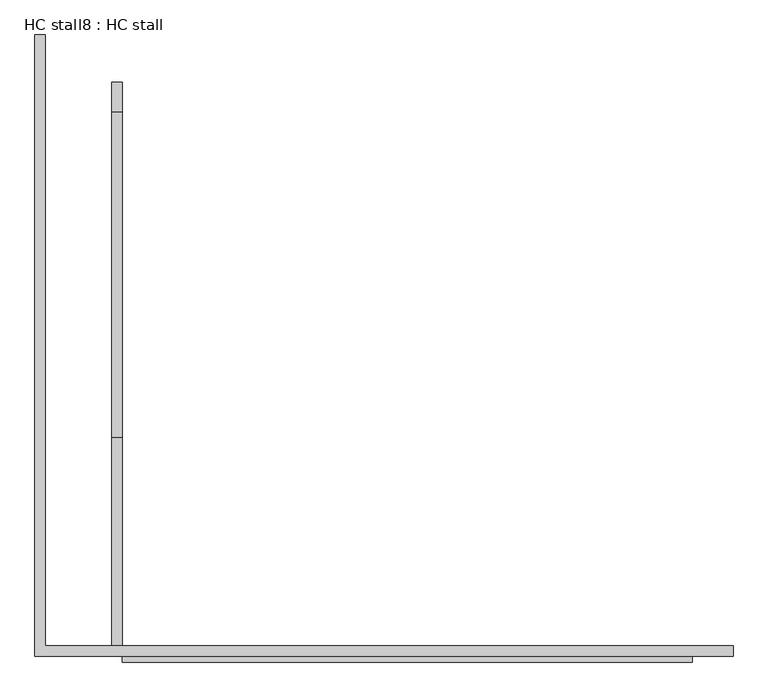
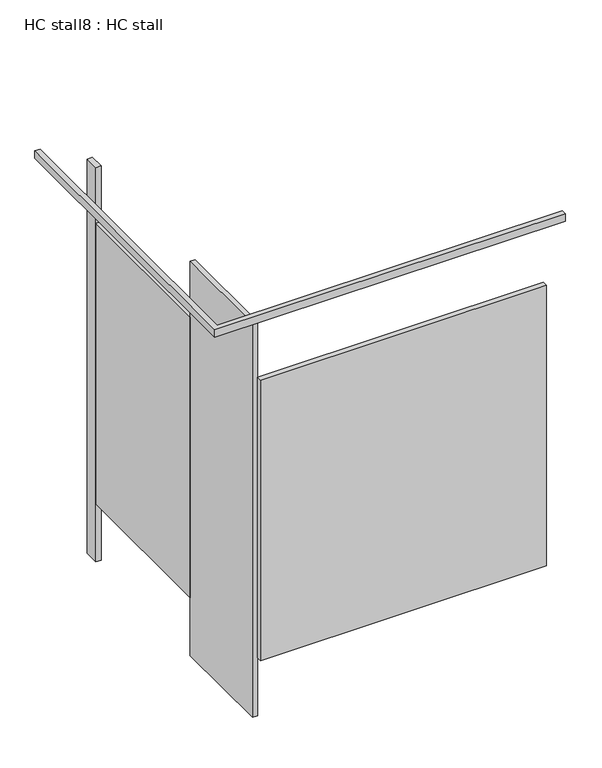
"""IFC4 building model written with IfcOpenShell, lengths in millimetres: proxy geometry, HC stall8 : HC stall."""

import ifcopenshell
import ifcopenshell.guid

model = None  # the IFC model being written
_history = None  # IfcOwnerHistory: only IFC2X3 demands one
_inside = {}  # id of a spatial element -> (the spatial element, [elements in it])
_under = {}  # id of a project, library or spatial element -> (it, [spatial elements below it])
_declared = {}  # id of a project -> (the project, [libraries it declares])
_typed = {}  # id of a type object -> (the type object, [elements of that type])
_made_of = {}  # id of a material, layer set ... -> (it, [elements and type objects made of it])


def new_model(schema):
    """Start an empty IFC model of exactly this schema.

    Asked for "IFC4X3", IfcOpenShell would pick the latest addendum, in which some entities
    have other attributes; the version numbers below select the first issue.
    IFC2X3 requires an IfcOwnerHistory on every rooted entity: one is made here for all.
    """
    global model, _history
    if schema == "IFC4X3":
        model = ifcopenshell.file(schema_version=(4, 3, 0, 0))
    else:
        model = ifcopenshell.file(schema=schema)
    _inside.clear()
    _under.clear()
    _declared.clear()
    _typed.clear()
    _made_of.clear()
    _history = None
    if model.schema == "IFC2X3":
        org = make("IfcOrganization", Name="unknown")
        user = make(
            "IfcPersonAndOrganization",
            ThePerson=make("IfcPerson", FamilyName="unknown"),
            TheOrganization=org,
        )
        app = make(
            "IfcApplication",
            ApplicationDeveloper=org,
            Version="unknown",
            ApplicationFullName="unknown",
            ApplicationIdentifier="unknown",
        )
        _history = make(
            "IfcOwnerHistory",
            OwningUser=user,
            OwningApplication=app,
            ChangeAction="ADDED",
            CreationDate=0,
        )
    return model


def make(cls, **values):
    """One entity of the class cls with the attributes given. An attribute that is None is left unset."""
    return model.create_entity(
        cls, **{name: value for name, value in values.items() if value is not None}
    )


def rooted(cls, **values):
    """An entity with a GlobalId (a new one), such as an element, a storey or a relation."""
    return make(cls, GlobalId=ifcopenshell.guid.new(), OwnerHistory=_history, **values)


def si_unit(unit_type, name, prefix=None):
    """IfcSIUnit, for example si_unit("LENGTHUNIT", "METRE", prefix="MILLI")."""
    return make("IfcSIUnit", UnitType=unit_type, Prefix=prefix, Name=name)


def assignment(units):
    """IfcUnitAssignment: the units of a project."""
    return None if units is None else make("IfcUnitAssignment", Units=units)


def point(xyz):
    """IfcCartesianPoint."""
    return None if xyz is None else make("IfcCartesianPoint", Coordinates=xyz)


def direction(xyz):
    """IfcDirection."""
    return None if xyz is None else make("IfcDirection", DirectionRatios=xyz)


def frame(location, z_axis=None, x_axis=None):
    """IfcAxis2Placement3D, a coordinate frame: its origin and axes. An axis left out is left unset."""
    return make(
        "IfcAxis2Placement3D",
        Location=point(location),
        Axis=direction(z_axis),
        RefDirection=direction(x_axis),
    )


def origin():
    """The frame at (0, 0, 0) with its axes left unset."""
    return frame((0.0, 0.0, 0.0))


def origin_with_axes():
    """The frame at (0, 0, 0) with the z axis (0, 0, 1) and the x axis (1, 0, 0) written out."""
    return frame((0.0, 0.0, 0.0), z_axis=(0.0, 0.0, 1.0), x_axis=(1.0, 0.0, 0.0))


def place(relative_to, where):
    """IfcLocalPlacement: puts the frame where relative to a parent placement (None: the world)."""
    return make(
        "IfcLocalPlacement", PlacementRelTo=relative_to, RelativePlacement=where
    )


def context(
    kind, dimensions, precision=None, world=None, true_north=None, identifier=None
):
    """IfcGeometricRepresentationContext, for example the 3D "Model" context."""
    return make(
        "IfcGeometricRepresentationContext",
        ContextIdentifier=identifier,
        ContextType=kind,
        CoordinateSpaceDimension=dimensions,
        Precision=precision,
        WorldCoordinateSystem=world,
        TrueNorth=true_north,
    )


def project(units=None, contexts=None):
    """IfcProject with its units and contexts."""
    return rooted(
        "IfcProject",
        Name="project",
        RepresentationContexts=contexts,
        UnitsInContext=assignment(units),
    )


def spatial(cls, under=None, at=None, **own):
    """A site, building, storey or space (cls), placed at a placement, below another one or the project."""
    s = rooted(cls, ObjectPlacement=at, **own)
    if under is not None:
        _under.setdefault(under.id(), (under, []))[1].append(s)
    return s


def polyline(points):
    """IfcPolyline through the points."""
    return make("IfcPolyline", Points=[point(p) for p in points])


def outline(outer, holes=None, kind="AREA"):
    """IfcArbitraryClosedProfileDef: a profile drawn as a closed curve; with holes, ...WithVoids."""
    if holes is None:
        return make("IfcArbitraryClosedProfileDef", ProfileType=kind, OuterCurve=outer)
    return make(
        "IfcArbitraryProfileDefWithVoids",
        ProfileType=kind,
        OuterCurve=outer,
        InnerCurves=holes,
    )


def extrude(swept, where, along, depth):
    """IfcExtrudedAreaSolid: the profile swept, set in the frame where, extruded along a direction by depth."""
    return make(
        "IfcExtrudedAreaSolid",
        SweptArea=swept,
        Position=where,
        ExtrudedDirection=direction(along),
        Depth=depth,
    )


def shape(context_of_items, identifier, shape_type, items):
    """IfcShapeRepresentation: the items that make up one representation, for example the "Body"."""
    return make(
        "IfcShapeRepresentation",
        ContextOfItems=context_of_items,
        RepresentationIdentifier=identifier,
        RepresentationType=shape_type,
        Items=items,
    )


def source(mapping_origin, context_of_items, identifier, shape_type, items):
    """IfcRepresentationMap: a shape defined once, which mapped items show again and again."""
    return make(
        "IfcRepresentationMap",
        MappingOrigin=mapping_origin,
        MappedRepresentation=shape(context_of_items, identifier, shape_type, items),
    )


def transform(
    local_origin,
    x_axis=None,
    y_axis=None,
    z_axis=None,
    scale=None,
    scale2=None,
    scale3=None,
    uniform=True,
):
    """IfcCartesianTransformationOperator3D, or its non-uniform kind. x_axis, y_axis, z_axis: its Axis1, 2, 3."""
    if uniform:
        return make(
            "IfcCartesianTransformationOperator3D",
            Axis1=direction(x_axis),
            Axis2=direction(y_axis),
            LocalOrigin=point(local_origin),
            Scale=scale,
            Axis3=direction(z_axis),
        )
    return make(
        "IfcCartesianTransformationOperator3DnonUniform",
        Axis1=direction(x_axis),
        Axis2=direction(y_axis),
        LocalOrigin=point(local_origin),
        Scale=scale,
        Axis3=direction(z_axis),
        Scale2=scale2,
        Scale3=scale3,
    )


def mapped(mapping_source, mapping_target):
    """IfcMappedItem: shows the shape of a source again, moved by a transform."""
    return make(
        "IfcMappedItem", MappingSource=mapping_source, MappingTarget=mapping_target
    )


def made_of(thing, what):
    """Note that an element or type object is made of a material, layer set ...; save() writes the relation."""
    if what is not None:
        _made_of.setdefault(what.id(), (what, []))[1].append(thing)
    return thing


def element(
    cls,
    number,
    at=None,
    inside=None,
    cuts=None,
    type_object=None,
    material=None,
    context=None,
    identifier="Body",
    shape_type=None,
    held_by="IfcProductDefinitionShape",
    body=None,
    shapes=None,
    **own,
):
    """One element of the class cls, such as IfcWall. Its Tag is "e" and its number.

    at: its placement. inside: the storey or other place that contains it. cuts: it is an
    opening in that element (IfcRelVoidsElement). A single representation is given by context,
    identifier, shape_type and body (its items); several are given by shapes. held_by: the class
    of the entity that holds the representations. save() writes the other relations.
    """
    e = rooted(cls, Tag="e%d" % number, ObjectPlacement=at, **own)
    if body is not None:
        shapes = [shape(context, identifier, shape_type, body)]
    if shapes is not None:
        e.Representation = make(held_by, Representations=shapes)
    if inside is not None:
        _inside.setdefault(inside.id(), (inside, []))[1].append(e)
    if cuts is not None:
        rooted(
            "IfcRelVoidsElement", RelatingBuildingElement=cuts, RelatedOpeningElement=e
        )
    if type_object is not None:
        _typed.setdefault(type_object.id(), (type_object, []))[1].append(e)
    return made_of(e, material)


def aggregate(whole, parts):
    """IfcRelAggregates: a whole, such as a stair, and the parts it consists of."""
    return rooted("IfcRelAggregates", RelatingObject=whole, RelatedObjects=parts)


def save(model, path):
    """Write the relations noted so far, then the file.

    IfcRelAggregates (storeys below a building ...), IfcRelContainedInSpatialStructure (elements
    in a storey), IfcRelDefinesByType, IfcRelAssociatesMaterial and IfcRelDeclares: one each for
    every whole, place, type object, material and project.
    """
    for whole, parts in _under.values():
        aggregate(whole, parts)
    for where, things in _inside.values():
        rooted(
            "IfcRelContainedInSpatialStructure",
            RelatedElements=things,
            RelatingStructure=where,
        )
    for kind, things in _typed.values():
        rooted("IfcRelDefinesByType", RelatedObjects=things, RelatingType=kind)
    for what, things in _made_of.values():
        rooted("IfcRelAssociatesMaterial", RelatedObjects=things, RelatingMaterial=what)
    for by, libraries in _declared.values():
        rooted("IfcRelDeclares", RelatingContext=by, RelatedDefinitions=libraries)
    model.write(path)


def hc_stall8_hc_stall_02f79226(model_context):
    return source(origin(), model_context, "Body", "SweptSolid", [
        extrude(outline(polyline([(502382.8837804, -430451.7036693), (502382.8837804, -430986.6911693), (502357.4837804, -430986.6911693), (502357.4837804, -430451.7036693), (502382.8837804, -430451.7036693)])), origin_with_axes(), (0.0, 0.0, 1.0), 2070.1),
        extrude(outline(polyline([(502382.8837804, -429564.2911693), (502382.8837804, -429638.9036693), (502357.4837804, -429638.9036693), (502357.4837804, -429564.2911693), (502382.8837804, -429564.2911693)])), origin_with_axes(), (0.0, 0.0, 1.0), 2070.1),
        extrude(outline(polyline([(502190.7962804, -430970.8161693), (503906.8837804, -430970.8161693), (503906.8837804, -430996.2161693), (502165.3962804, -430996.2161693), (502165.3962804, -429446.8161693), (502190.7962804, -429446.8161693), (502190.7962804, -430970.8161693)])), frame((0.0, 0.0, 2070.1), z_axis=(0.0, 0.0, 1.0), x_axis=(1.0, 0.0, 0.0)), (0.0, 0.0, 1.0), 38.1),
        extrude(outline(polyline([(503805.2837804, -431012.0911693), (502382.8837804, -431012.0911693), (502382.8837804, -430986.6911693), (503805.2837804, -430986.6911693), (503805.2837804, -431012.0911693)])), frame((0.0, 0.0, 304.8), z_axis=(0.0, 0.0, 1.0), x_axis=(1.0, 0.0, 0.0)), (0.0, 0.0, 1.0), 1473.2),
        extrude(outline(polyline([(502382.8837804, -429638.9036693), (502382.8837804, -430451.7036693), (502357.4837804, -430451.7036693), (502357.4837804, -429638.9036693), (502382.8837804, -429638.9036693)])), frame((0.0, 0.0, 304.8), z_axis=(0.0, 0.0, 1.0), x_axis=(1.0, 0.0, 0.0)), (0.0, 0.0, 1.0), 1473.2),
    ])


if __name__ == "__main__":
    model = new_model("IFC4")
    model_context = context("Model", 3, world=origin())
    ifc_project = project(units=[si_unit("LENGTHUNIT", "METRE", prefix="MILLI")], contexts=[model_context])
    site = spatial("IfcSite", under=ifc_project)
    building = spatial("IfcBuilding", under=site)
    placement = place(None, origin())
    hc_stall8_hc_stall_shape = hc_stall8_hc_stall_02f79226(model_context)
    element("IfcBuildingElementProxy", 1, Name="HC stall8 : HC stall", ObjectType="HC stall8 : HC stall", at=placement, inside=building, context=model_context, shape_type="MappedRepresentation", body=[
        mapped(hc_stall8_hc_stall_shape, transform((0.0, 0.0, 0.0), x_axis=(1.0, 0.0, 0.0), y_axis=(0.0, 1.0, 0.0), z_axis=(0.0, 0.0, 1.0))),
    ])
    save(model, "model.ifc")
